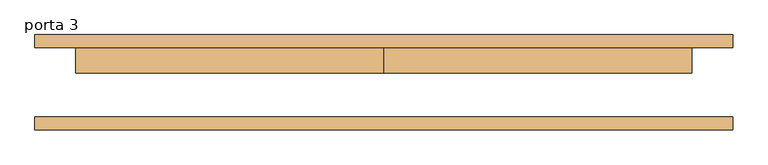
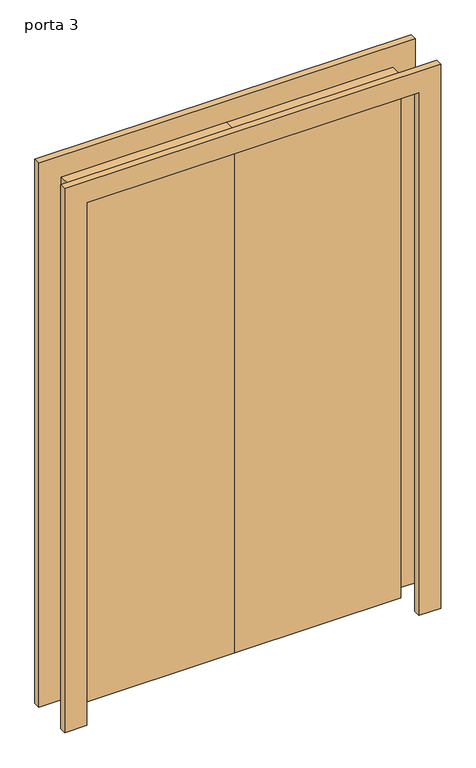
"""IFC4 building model written with IfcOpenShell, lengths in millimetres: door geometry, porta 3."""

from ifc_helpers import new_model, si_unit, frame, origin, origin_with_axes, place, context, project, spatial, polyline, outline, extrude, source, transform, mapped, element, save


def porta_3_0a7d0d69(model_context):
    return source(origin(), model_context, "Body", "SweptSolid", [
        extrude(outline(polyline([(2000.0, -600.0), (2000.0, 600.0), (0.0, 600.0), (0.0, 680.0), (2080.0, 680.0), (2080.0, -680.0), (0.0, -680.0), (0.0, -600.0), (2000.0, -600.0)])), frame((0.0, -92.75, 0.0), z_axis=(0.0, 1.0, 0.0), x_axis=(0.0, 0.0, 1.0)), (0.0, 0.0, 1.0), 25.0),
        extrude(outline(polyline([(2000.0, -600.0), (2000.0, 600.0), (0.0, 600.0), (0.0, 680.0), (2080.0, 680.0), (2080.0, -680.0), (0.0, -680.0), (0.0, -600.0), (2000.0, -600.0)])), frame((0.0, 67.75, 0.0), z_axis=(0.0, 1.0, 0.0), x_axis=(0.0, 0.0, 1.0)), (0.0, 0.0, 1.0), 25.0),
        extrude(outline(polyline([(0.0, 67.75), (600.0, 67.75), (600.0, 17.75), (0.0, 17.75), (0.0, 67.75)])), origin_with_axes(), (0.0, 0.0, 1.0), 2000.0),
        extrude(outline(polyline([(-600.0, 67.75), (0.0, 67.75), (0.0, 17.75), (-600.0, 17.75), (-600.0, 67.75)])), origin_with_axes(), (0.0, 0.0, 1.0), 2000.0),
    ])


if __name__ == "__main__":
    model = new_model("IFC4")
    model_context = context("Model", 3, world=origin())
    ifc_project = project(units=[si_unit("LENGTHUNIT", "METRE", prefix="MILLI")], contexts=[model_context])
    site = spatial("IfcSite", under=ifc_project)
    building = spatial("IfcBuilding", under=site)
    placement = place(None, origin())
    porta_3_shape = porta_3_0a7d0d69(model_context)
    element("IfcDoor", 1, ObjectType="porta 3", at=placement, inside=building, context=model_context, shape_type="MappedRepresentation", body=[
        mapped(porta_3_shape, transform((0.0, 0.0, 0.0), x_axis=(1.0, 0.0, 0.0), y_axis=(0.0, 1.0, 0.0), z_axis=(0.0, 0.0, 1.0))),
    ])
    save(model, "model.ifc")
